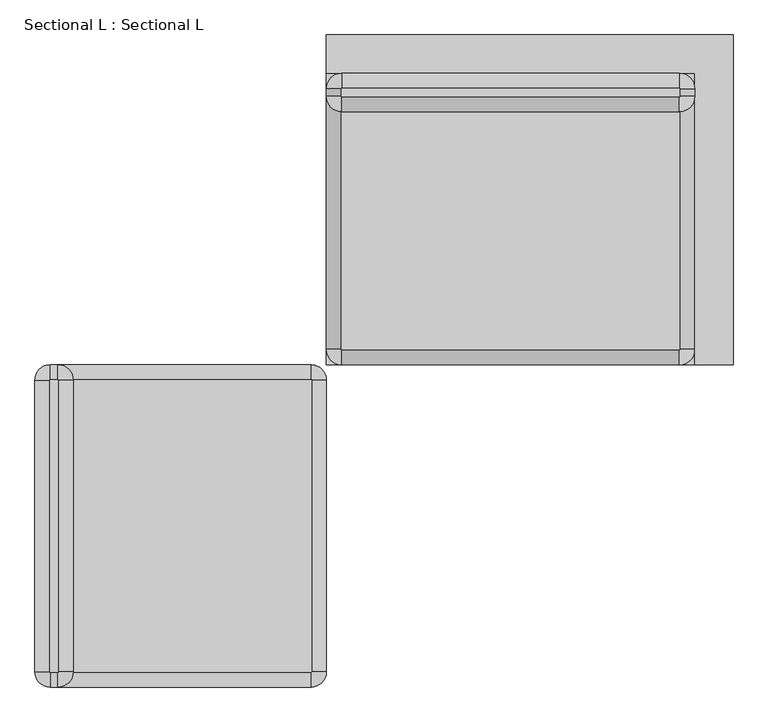
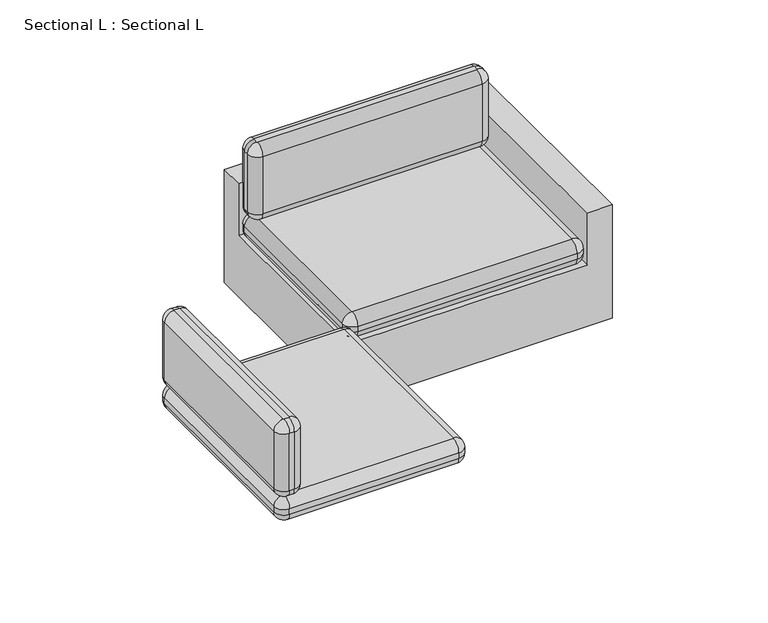
"""IFC4 building model written with IfcOpenShell, lengths in millimetres: furniture geometry, Sectional L : Sectional L."""

from ifc_helpers import new_model, si_unit, point, frame, origin, place, context, project, spatial, circle_curve, ellipse_curve, trimmed, faceted_brep, source, transform, mapped, element, save
from ifc_brep_helpers import plane_surface, cylinder_surface, revolved_surface, advanced_brep


def sectional_l_sectional_l_d9fc3ccb(model_context):
    return source(origin(), model_context, "Body", "SolidModel", [
        advanced_brep(
        [(2262.1875, -203.2, 889.0), (2262.1875, -177.8, 889.0), (2260.6, -176.2125, 889.0), (1143.0, -176.2125, 889.0), (1141.4125, -177.8, 889.0), (1141.4125, -203.2, 889.0), (1143.0, -204.7875, 889.0), (2260.6, -204.7875, 889.0), (2260.6, -204.7875, 482.6), (1143.0, -204.7875, 482.6), (1141.4125, -203.2, 482.6), (1141.4125, -177.8, 482.6), (1143.0, -176.2125, 482.6), (2260.6, -176.2125, 482.6), (2262.1875, -177.8, 482.6), (2262.1875, -203.2, 482.6), (1092.2, -203.2, 531.8125), (1092.2, -203.2, 839.7875), (1092.2, -177.8, 839.7875), (1092.2, -177.8, 531.8125), (1143.0, -127.0, 531.8125), (1143.0, -127.0, 839.7875), (2260.6, -127.0, 839.7875), (2260.6, -127.0, 531.8125), (2311.4, -177.8, 531.8125), (2311.4, -177.8, 839.7875), (2311.4, -203.2, 839.7875), (2311.4, -203.2, 531.8125), (2260.6, -254.0, 531.8125), (2260.6, -254.0, 839.7875), (1143.0, -254.0, 839.7875), (1143.0, -254.0, 531.8125)],
        [
            (0, 1),
            (1, 2, circle_curve(frame((2260.6, -177.8, 889.0), z_axis=(0.0, 0.0, 1.0), x_axis=(0.0, 1.0, 0.0)), 1.5875)),
            (2, 3),
            (3, 4, circle_curve(frame((1143.0, -177.8, 889.0), z_axis=(0.0, 0.0, 1.0), x_axis=(-1.0, 0.0, 0.0)), 1.5875)),
            (4, 5),
            (5, 6, circle_curve(frame((1143.0, -203.2, 889.0), z_axis=(0.0, 0.0, 1.0), x_axis=(0.0, -1.0, 0.0)), 1.5875)),
            (6, 7),
            (7, 0, circle_curve(frame((2260.6, -203.2, 889.0), z_axis=(0.0, 0.0, 1.0), x_axis=(1.0, 0.0, 0.0)), 1.5875)),
            (8, 9),
            (9, 10, circle_curve(frame((1143.0, -203.2, 482.6), z_axis=(0.0, 0.0, -1.0), x_axis=(0.0, -1.0, 0.0)), 1.5875)),
            (10, 11),
            (11, 12, circle_curve(frame((1143.0, -177.8, 482.6), z_axis=(0.0, 0.0, -1.0), x_axis=(-1.0, 0.0, 0.0)), 1.5875)),
            (12, 13),
            (13, 14, circle_curve(frame((2260.6, -177.8, 482.6), z_axis=(0.0, 0.0, -1.0), x_axis=(0.0, 1.0, 0.0)), 1.5875)),
            (14, 15),
            (15, 8, circle_curve(frame((2260.6, -203.2, 482.6), z_axis=(0.0, 0.0, -1.0), x_axis=(1.0, 0.0, 0.0)), 1.5875)),
            (16, 17),
            (17, 18),
            (18, 19),
            (19, 16),
            (20, 21),
            (21, 22),
            (22, 23),
            (23, 20),
            (24, 25),
            (25, 26),
            (26, 27),
            (27, 24),
            (28, 29),
            (29, 30),
            (30, 31),
            (31, 28),
            (30, 17, circle_curve(frame((1143.0, -203.2, 839.7875), z_axis=(0.0, 0.0, -1.0), x_axis=(-1.0, 0.0, 0.0)), 50.8)),
            (16, 31, circle_curve(frame((1143.0, -203.2, 531.8125), z_axis=(0.0, 0.0, 1.0), x_axis=(-1.0, 0.0, 0.0)), 50.8)),
            (18, 21, circle_curve(frame((1143.0, -177.8, 839.7875), z_axis=(0.0, 0.0, -1.0), x_axis=(-1.0, 0.0, 0.0)), 50.8)),
            (20, 19, circle_curve(frame((1143.0, -177.8, 531.8125), z_axis=(0.0, 0.0, 1.0), x_axis=(-1.0, 0.0, 0.0)), 50.8)),
            (22, 25, circle_curve(frame((2260.6, -177.8, 839.7875), z_axis=(0.0, 0.0, -1.0), x_axis=(-1.0, 0.0, 0.0)), 50.8)),
            (24, 23, circle_curve(frame((2260.6, -177.8, 531.8125), z_axis=(0.0, 0.0, 1.0), x_axis=(-1.0, 0.0, 0.0)), 50.8)),
            (26, 29, circle_curve(frame((2260.6, -203.2, 839.7875), z_axis=(0.0, 0.0, -1.0), x_axis=(-1.0, 0.0, 0.0)), 50.8)),
            (28, 27, circle_curve(frame((2260.6, -203.2, 531.8125), z_axis=(0.0, 0.0, 1.0), x_axis=(-1.0, 0.0, 0.0)), 50.8)),
            (15, 27, circle_curve(frame((2262.1875, -203.2, 531.8125), z_axis=(0.0, -1.0, 0.0), x_axis=(-1.0, 0.0, 0.0)), 49.2125)),
            (28, 8, circle_curve(frame((2260.6, -204.7875, 531.8125), z_axis=(1.0, 0.0, 0.0), x_axis=(0.0, 1.0, 0.0)), 49.2125)),
            (31, 9, circle_curve(frame((1143.0, -204.7875, 531.8125), z_axis=(1.0, 0.0, 0.0), x_axis=(0.0, 1.0, 0.0)), 49.2125)),
            (16, 10, circle_curve(frame((1141.4125, -203.2, 531.8125), z_axis=(0.0, -1.0, 0.0), x_axis=(1.0, 0.0, 0.0)), 49.2125)),
            (19, 11, circle_curve(frame((1141.4125, -177.8, 531.8125), z_axis=(0.0, -1.0, 0.0), x_axis=(1.0, 0.0, 0.0)), 49.2125)),
            (20, 12, circle_curve(frame((1143.0, -176.2125, 531.8125), z_axis=(-1.0, 0.0, 0.0), x_axis=(0.0, -1.0, 0.0)), 49.2125)),
            (23, 13, circle_curve(frame((2260.6, -176.2125, 531.8125), z_axis=(-1.0, 0.0, 0.0), x_axis=(0.0, -1.0, 0.0)), 49.2125)),
            (24, 14, circle_curve(frame((2262.1875, -177.8, 531.8125), z_axis=(0.0, 1.0, 0.0), x_axis=(-1.0, 0.0, 0.0)), 49.2125)),
            (26, 0, circle_curve(frame((2262.1875, -203.2, 839.7875), z_axis=(0.0, -1.0, 0.0), x_axis=(-1.0, 0.0, 0.0)), 49.2125)),
            (7, 29, circle_curve(frame((2260.6, -204.7875, 839.7875), z_axis=(1.0, 0.0, 0.0), x_axis=(0.0, 1.0, 0.0)), 49.2125)),
            (6, 30, circle_curve(frame((1143.0, -204.7875, 839.7875), z_axis=(1.0, 0.0, 0.0), x_axis=(0.0, 1.0, 0.0)), 49.2125)),
            (5, 17, circle_curve(frame((1141.4125, -203.2, 839.7875), z_axis=(0.0, -1.0, 0.0), x_axis=(1.0, 0.0, 0.0)), 49.2125)),
            (4, 18, circle_curve(frame((1141.4125, -177.8, 839.7875), z_axis=(0.0, -1.0, 0.0), x_axis=(1.0, 0.0, 0.0)), 49.2125)),
            (3, 21, circle_curve(frame((1143.0, -176.2125, 839.7875), z_axis=(-1.0, 0.0, 0.0), x_axis=(0.0, -1.0, 0.0)), 49.2125)),
            (2, 22, circle_curve(frame((2260.6, -176.2125, 839.7875), z_axis=(-1.0, 0.0, 0.0), x_axis=(0.0, -1.0, 0.0)), 49.2125)),
            (1, 25, circle_curve(frame((2262.1875, -177.8, 839.7875), z_axis=(0.0, 1.0, 0.0), x_axis=(-1.0, 0.0, 0.0)), 49.2125)),
        ],
        [
            plane_surface(frame((1092.2, -203.2, 889.0), z_axis=(0.0, 0.0, 1.0), x_axis=(0.0, 1.0, 0.0))),
            plane_surface(frame((1092.2, -203.2, 482.6), z_axis=(0.0, 0.0, -1.0), x_axis=(0.0, -1.0, 0.0))),
            plane_surface(frame((1092.2, -203.2, 889.0), z_axis=(-1.0, 0.0, 0.0), x_axis=(0.0, 0.0, -1.0))),
            plane_surface(frame((1143.0, -127.0, 889.0), z_axis=(0.0, 1.0, 0.0), x_axis=(0.0, 0.0, -1.0))),
            plane_surface(frame((2311.4, -177.8, 889.0), z_axis=(1.0, 0.0, 0.0), x_axis=(0.0, 0.0, -1.0))),
            plane_surface(frame((2260.6, -254.0, 889.0), z_axis=(0.0, -1.0, 0.0), x_axis=(0.0, 0.0, -1.0))),
            cylinder_surface(frame((1143.0, -203.2, 482.6), z_axis=(0.0, 0.0, 1.0), x_axis=(-1.0, 0.0, 0.0)), 50.8),
            cylinder_surface(frame((1143.0, -177.8, 482.6), z_axis=(0.0, 0.0, 1.0), x_axis=(-1.0, 0.0, 0.0)), 50.8),
            cylinder_surface(frame((2260.6, -177.8, 482.6), z_axis=(0.0, 0.0, 1.0), x_axis=(-1.0, 0.0, 0.0)), 50.8),
            cylinder_surface(frame((2260.6, -203.2, 482.6), z_axis=(0.0, 0.0, 1.0), x_axis=(-1.0, 0.0, 0.0)), 50.8),
            revolved_surface(trimmed(ellipse_curve(frame((2262.1875, -203.2, 531.8125), z_axis=(0.0, -1.0, 0.0), x_axis=(-1.0, 0.0, 0.0)), 49.2125, 49.2125), [point((2262.1875, -203.2, 482.6))], [point((2311.4, -203.2, 531.8125))], True, "CARTESIAN"), (2260.6, -203.2, 482.6), (0.0, 0.0, 1.0)),
            cylinder_surface(frame((2260.6, -204.7875, 531.8125), z_axis=(-1.0, 0.0, 0.0), x_axis=(0.0, 1.0, 0.0)), 49.2125),
            revolved_surface(trimmed(ellipse_curve(frame((1143.0, -204.7875, 531.8125), z_axis=(-1.0, 0.0, 0.0), x_axis=(0.0, 1.0, 0.0)), 49.2125, 49.2125), [point((1143.0, -204.7875, 482.6))], [point((1143.0, -254.0, 531.8125))], True, "CARTESIAN"), (1143.0, -203.2, 482.6), (0.0, 0.0, 1.0)),
            cylinder_surface(frame((1141.4125, -203.2, 531.8125), z_axis=(0.0, 1.0, 0.0), x_axis=(1.0, 0.0, 0.0)), 49.2125),
            revolved_surface(trimmed(ellipse_curve(frame((1141.4125, -177.8, 531.8125), z_axis=(0.0, 1.0, 0.0), x_axis=(1.0, 0.0, 0.0)), 49.2125, 49.2125), [point((1141.4125, -177.8, 482.6))], [point((1092.2, -177.8, 531.8125))], True, "CARTESIAN"), (1143.0, -177.8, 482.6), (0.0, 0.0, 1.0)),
            cylinder_surface(frame((1143.0, -176.2125, 531.8125), z_axis=(1.0, 0.0, 0.0), x_axis=(0.0, -1.0, 0.0)), 49.2125),
            revolved_surface(trimmed(ellipse_curve(frame((2260.6, -176.2125, 531.8125), z_axis=(1.0, 0.0, 0.0), x_axis=(0.0, -1.0, 0.0)), 49.2125, 49.2125), [point((2260.6, -176.2125, 482.6))], [point((2260.6, -127.0, 531.8125))], True, "CARTESIAN"), (2260.6, -177.8, 482.6), (0.0, 0.0, 1.0)),
            cylinder_surface(frame((2262.1875, -177.8, 531.8125), z_axis=(0.0, -1.0, 0.0), x_axis=(-1.0, 0.0, 0.0)), 49.2125),
            revolved_surface(trimmed(ellipse_curve(frame((2262.1875, -203.2, 839.7875), z_axis=(0.0, -1.0, 0.0), x_axis=(-1.0, 0.0, 0.0)), 49.2125, 49.2125), [point((2311.4, -203.2, 839.7875))], [point((2262.1875, -203.2, 889.0))], True, "CARTESIAN"), (2260.6, -203.2, 889.0), (0.0, 0.0, 1.0)),
            cylinder_surface(frame((2260.6, -204.7875, 839.7875), z_axis=(-1.0, 0.0, 0.0), x_axis=(0.0, 1.0, 0.0)), 49.2125),
            revolved_surface(trimmed(ellipse_curve(frame((1143.0, -204.7875, 839.7875), z_axis=(-1.0, 0.0, 0.0), x_axis=(0.0, 1.0, 0.0)), 49.2125, 49.2125), [point((1143.0, -254.0, 839.7875))], [point((1143.0, -204.7875, 889.0))], True, "CARTESIAN"), (1143.0, -203.2, 889.0), (0.0, 0.0, 1.0)),
            cylinder_surface(frame((1141.4125, -203.2, 839.7875), z_axis=(0.0, 1.0, 0.0), x_axis=(1.0, 0.0, 0.0)), 49.2125),
            revolved_surface(trimmed(ellipse_curve(frame((1141.4125, -177.8, 839.7875), z_axis=(0.0, 1.0, 0.0), x_axis=(1.0, 0.0, 0.0)), 49.2125, 49.2125), [point((1092.2, -177.8, 839.7875))], [point((1141.4125, -177.8, 889.0))], True, "CARTESIAN"), (1143.0, -177.8, 889.0), (0.0, 0.0, 1.0)),
            cylinder_surface(frame((1143.0, -176.2125, 839.7875), z_axis=(1.0, 0.0, 0.0), x_axis=(0.0, -1.0, 0.0)), 49.2125),
            revolved_surface(trimmed(ellipse_curve(frame((2260.6, -176.2125, 839.7875), z_axis=(1.0, 0.0, 0.0), x_axis=(0.0, -1.0, 0.0)), 49.2125, 49.2125), [point((2260.6, -127.0, 839.7875))], [point((2260.6, -176.2125, 889.0))], True, "CARTESIAN"), (2260.6, -177.8, 889.0), (0.0, 0.0, 1.0)),
            cylinder_surface(frame((2262.1875, -177.8, 839.7875), z_axis=(0.0, -1.0, 0.0), x_axis=(-1.0, 0.0, 0.0)), 49.2125),
        ],
        [
            (0, [[1, 2, 3, 4, 5, 6, 7, 8]]),
            (1, [[9, 10, 11, 12, 13, 14, 15, 16]]),
            (2, [[17, 18, 19, 20]]),
            (3, [[21, 22, 23, 24]]),
            (4, [[25, 26, 27, 28]]),
            (5, [[29, 30, 31, 32]]),
            (6, [[-31, 33, -17, 34]]),
            (7, [[-19, 35, -21, 36]]),
            (8, [[-23, 37, -25, 38]]),
            (9, [[-27, 39, -29, 40]]),
            (10, [[-16, 41, -40, 42]]),
            (11, [[-32, 43, -9, -42]]),
            (12, [[-34, 44, -10, -43]]),
            (13, [[-20, 45, -11, -44]]),
            (14, [[-36, 46, -12, -45]]),
            (15, [[-24, 47, -13, -46]]),
            (16, [[-38, 48, -14, -47]]),
            (17, [[-15, -48, -28, -41]]),
            (18, [[-39, 49, -8, 50]]),
            (19, [[-7, 51, -30, -50]]),
            (20, [[-6, 52, -33, -51]]),
            (21, [[-5, 53, -18, -52]]),
            (22, [[-4, 54, -35, -53]]),
            (23, [[-3, 55, -22, -54]]),
            (24, [[-2, 56, -37, -55]]),
            (25, [[-26, -56, -1, -49]]),
        ],
    ),
        advanced_brep(
        [(2262.1875, -1041.4, 482.6), (2262.1875, -177.8, 482.6), (2260.6, -176.2125, 482.6), (1143.0, -176.2125, 482.6), (1141.4125, -177.8, 482.6), (1141.4125, -1041.4, 482.6), (1143.0, -1042.9875, 482.6), (2260.6, -1042.9875, 482.6), (2260.6, -1042.9875, 355.6), (1143.0, -1042.9875, 355.6), (1141.4125, -1041.4, 355.6), (1141.4125, -177.8, 355.6), (1143.0, -176.2125, 355.6), (2260.6, -176.2125, 355.6), (2262.1875, -177.8, 355.6), (2262.1875, -1041.4, 355.6), (1092.2, -1041.4, 404.8125), (1092.2, -1041.4, 433.3875), (1092.2, -177.8, 433.3875), (1092.2, -177.8, 404.8125), (1143.0, -127.0, 404.8125), (1143.0, -127.0, 433.3875), (2260.6, -127.0, 433.3875), (2260.6, -127.0, 404.8125), (2311.4, -177.8, 404.8125), (2311.4, -177.8, 433.3875), (2311.4, -1041.4, 433.3875), (2311.4, -1041.4, 404.8125), (2260.6, -1092.2, 404.8125), (2260.6, -1092.2, 433.3875), (1143.0, -1092.2, 433.3875), (1143.0, -1092.2, 404.8125)],
        [
            (0, 1),
            (1, 2, circle_curve(frame((2260.6, -177.8, 482.6), z_axis=(0.0, 0.0, 1.0), x_axis=(0.0, 1.0, 0.0)), 1.5875)),
            (2, 3),
            (3, 4, circle_curve(frame((1143.0, -177.8, 482.6), z_axis=(0.0, 0.0, 1.0), x_axis=(-1.0, 0.0, 0.0)), 1.5875)),
            (4, 5),
            (5, 6, circle_curve(frame((1143.0, -1041.4, 482.6), z_axis=(0.0, 0.0, 1.0), x_axis=(0.0, -1.0, 0.0)), 1.5875)),
            (6, 7),
            (7, 0, circle_curve(frame((2260.6, -1041.4, 482.6), z_axis=(0.0, 0.0, 1.0), x_axis=(1.0, 0.0, 0.0)), 1.5875)),
            (8, 9),
            (9, 10, circle_curve(frame((1143.0, -1041.4, 355.6), z_axis=(0.0, 0.0, -1.0), x_axis=(0.0, -1.0, 0.0)), 1.5875)),
            (10, 11),
            (11, 12, circle_curve(frame((1143.0, -177.8, 355.6), z_axis=(0.0, 0.0, -1.0), x_axis=(-1.0, 0.0, 0.0)), 1.5875)),
            (12, 13),
            (13, 14, circle_curve(frame((2260.6, -177.8, 355.6), z_axis=(0.0, 0.0, -1.0), x_axis=(0.0, 1.0, 0.0)), 1.5875)),
            (14, 15),
            (15, 8, circle_curve(frame((2260.6, -1041.4, 355.6), z_axis=(0.0, 0.0, -1.0), x_axis=(1.0, 0.0, 0.0)), 1.5875)),
            (16, 17),
            (17, 18),
            (18, 19),
            (19, 16),
            (20, 21),
            (21, 22),
            (22, 23),
            (23, 20),
            (24, 25),
            (25, 26),
            (26, 27),
            (27, 24),
            (28, 29),
            (29, 30),
            (30, 31),
            (31, 28),
            (30, 17, circle_curve(frame((1143.0, -1041.4, 433.3875), z_axis=(0.0, 0.0, -1.0), x_axis=(-1.0, 0.0, 0.0)), 50.8)),
            (16, 31, circle_curve(frame((1143.0, -1041.4, 404.8125), z_axis=(0.0, 0.0, 1.0), x_axis=(-1.0, 0.0, 0.0)), 50.8)),
            (18, 21, circle_curve(frame((1143.0, -177.8, 433.3875), z_axis=(0.0, 0.0, -1.0), x_axis=(-1.0, 0.0, 0.0)), 50.8)),
            (20, 19, circle_curve(frame((1143.0, -177.8, 404.8125), z_axis=(0.0, 0.0, 1.0), x_axis=(-1.0, 0.0, 0.0)), 50.8)),
            (22, 25, circle_curve(frame((2260.6, -177.8, 433.3875), z_axis=(0.0, 0.0, -1.0), x_axis=(-1.0, 0.0, 0.0)), 50.8)),
            (24, 23, circle_curve(frame((2260.6, -177.8, 404.8125), z_axis=(0.0, 0.0, 1.0), x_axis=(-1.0, 0.0, 0.0)), 50.8)),
            (26, 29, circle_curve(frame((2260.6, -1041.4, 433.3875), z_axis=(0.0, 0.0, -1.0), x_axis=(-1.0, 0.0, 0.0)), 50.8)),
            (28, 27, circle_curve(frame((2260.6, -1041.4, 404.8125), z_axis=(0.0, 0.0, 1.0), x_axis=(-1.0, 0.0, 0.0)), 50.8)),
            (15, 27, circle_curve(frame((2262.1875, -1041.4, 404.8125), z_axis=(0.0, -1.0, 0.0), x_axis=(-1.0, 0.0, 0.0)), 49.2125)),
            (28, 8, circle_curve(frame((2260.6, -1042.9875, 404.8125), z_axis=(1.0, 0.0, 0.0), x_axis=(0.0, 1.0, 0.0)), 49.2125)),
            (31, 9, circle_curve(frame((1143.0, -1042.9875, 404.8125), z_axis=(1.0, 0.0, 0.0), x_axis=(0.0, 1.0, 0.0)), 49.2125)),
            (16, 10, circle_curve(frame((1141.4125, -1041.4, 404.8125), z_axis=(0.0, -1.0, 0.0), x_axis=(1.0, 0.0, 0.0)), 49.2125)),
            (19, 11, circle_curve(frame((1141.4125, -177.8, 404.8125), z_axis=(0.0, -1.0, 0.0), x_axis=(1.0, 0.0, 0.0)), 49.2125)),
            (20, 12, circle_curve(frame((1143.0, -176.2125, 404.8125), z_axis=(-1.0, 0.0, 0.0), x_axis=(0.0, -1.0, 0.0)), 49.2125)),
            (23, 13, circle_curve(frame((2260.6, -176.2125, 404.8125), z_axis=(-1.0, 0.0, 0.0), x_axis=(0.0, -1.0, 0.0)), 49.2125)),
            (24, 14, circle_curve(frame((2262.1875, -177.8, 404.8125), z_axis=(0.0, 1.0, 0.0), x_axis=(-1.0, 0.0, 0.0)), 49.2125)),
            (26, 0, circle_curve(frame((2262.1875, -1041.4, 433.3875), z_axis=(0.0, -1.0, 0.0), x_axis=(-1.0, 0.0, 0.0)), 49.2125)),
            (7, 29, circle_curve(frame((2260.6, -1042.9875, 433.3875), z_axis=(1.0, 0.0, 0.0), x_axis=(0.0, 1.0, 0.0)), 49.2125)),
            (6, 30, circle_curve(frame((1143.0, -1042.9875, 433.3875), z_axis=(1.0, 0.0, 0.0), x_axis=(0.0, 1.0, 0.0)), 49.2125)),
            (5, 17, circle_curve(frame((1141.4125, -1041.4, 433.3875), z_axis=(0.0, -1.0, 0.0), x_axis=(1.0, 0.0, 0.0)), 49.2125)),
            (4, 18, circle_curve(frame((1141.4125, -177.8, 433.3875), z_axis=(0.0, -1.0, 0.0), x_axis=(1.0, 0.0, 0.0)), 49.2125)),
            (3, 21, circle_curve(frame((1143.0, -176.2125, 433.3875), z_axis=(-1.0, 0.0, 0.0), x_axis=(0.0, -1.0, 0.0)), 49.2125)),
            (2, 22, circle_curve(frame((2260.6, -176.2125, 433.3875), z_axis=(-1.0, 0.0, 0.0), x_axis=(0.0, -1.0, 0.0)), 49.2125)),
            (1, 25, circle_curve(frame((2262.1875, -177.8, 433.3875), z_axis=(0.0, 1.0, 0.0), x_axis=(-1.0, 0.0, 0.0)), 49.2125)),
        ],
        [
            plane_surface(frame((1092.2, -1041.4, 482.6), z_axis=(0.0, 0.0, 1.0), x_axis=(0.0, 1.0, 0.0))),
            plane_surface(frame((1092.2, -1041.4, 355.6), z_axis=(0.0, 0.0, -1.0), x_axis=(0.0, -1.0, 0.0))),
            plane_surface(frame((1092.2, -1041.4, 482.6), z_axis=(-1.0, 0.0, 0.0), x_axis=(0.0, 0.0, -1.0))),
            plane_surface(frame((1143.0, -127.0, 482.6), z_axis=(0.0, 1.0, 0.0), x_axis=(0.0, 0.0, -1.0))),
            plane_surface(frame((2311.4, -177.8, 482.6), z_axis=(1.0, 0.0, 0.0), x_axis=(0.0, 0.0, -1.0))),
            plane_surface(frame((2260.6, -1092.2, 482.6), z_axis=(0.0, -1.0, 0.0), x_axis=(0.0, 0.0, -1.0))),
            cylinder_surface(frame((1143.0, -1041.4, 355.6), z_axis=(0.0, 0.0, 1.0), x_axis=(-1.0, 0.0, 0.0)), 50.8),
            cylinder_surface(frame((1143.0, -177.8, 355.6), z_axis=(0.0, 0.0, 1.0), x_axis=(-1.0, 0.0, 0.0)), 50.8),
            cylinder_surface(frame((2260.6, -177.8, 355.6), z_axis=(0.0, 0.0, 1.0), x_axis=(-1.0, 0.0, 0.0)), 50.8),
            cylinder_surface(frame((2260.6, -1041.4, 355.6), z_axis=(0.0, 0.0, 1.0), x_axis=(-1.0, 0.0, 0.0)), 50.8),
            revolved_surface(trimmed(ellipse_curve(frame((2262.1875, -1041.4, 404.8125), z_axis=(0.0, -1.0, 0.0), x_axis=(-1.0, 0.0, 0.0)), 49.2125, 49.2125), [point((2262.1875, -1041.4, 355.6))], [point((2311.4, -1041.4, 404.8125))], True, "CARTESIAN"), (2260.6, -1041.4, 355.6), (0.0, 0.0, 1.0)),
            cylinder_surface(frame((2260.6, -1042.9875, 404.8125), z_axis=(-1.0, 0.0, 0.0), x_axis=(0.0, 1.0, 0.0)), 49.2125),
            revolved_surface(trimmed(ellipse_curve(frame((1143.0, -1042.9875, 404.8125), z_axis=(-1.0, 0.0, 0.0), x_axis=(0.0, 1.0, 0.0)), 49.2125, 49.2125), [point((1143.0, -1042.9875, 355.6))], [point((1143.0, -1092.2, 404.8125))], True, "CARTESIAN"), (1143.0, -1041.4, 355.6), (0.0, 0.0, 1.0)),
            cylinder_surface(frame((1141.4125, -1041.4, 404.8125), z_axis=(0.0, 1.0, 0.0), x_axis=(1.0, 0.0, 0.0)), 49.2125),
            revolved_surface(trimmed(ellipse_curve(frame((1141.4125, -177.8, 404.8125), z_axis=(0.0, 1.0, 0.0), x_axis=(1.0, 0.0, 0.0)), 49.2125, 49.2125), [point((1141.4125, -177.8, 355.6))], [point((1092.2, -177.8, 404.8125))], True, "CARTESIAN"), (1143.0, -177.8, 355.6), (0.0, 0.0, 1.0)),
            cylinder_surface(frame((1143.0, -176.2125, 404.8125), z_axis=(1.0, 0.0, 0.0), x_axis=(0.0, -1.0, 0.0)), 49.2125),
            revolved_surface(trimmed(ellipse_curve(frame((2260.6, -176.2125, 404.8125), z_axis=(1.0, 0.0, 0.0), x_axis=(0.0, -1.0, 0.0)), 49.2125, 49.2125), [point((2260.6, -176.2125, 355.6))], [point((2260.6, -127.0, 404.8125))], True, "CARTESIAN"), (2260.6, -177.8, 355.6), (0.0, 0.0, 1.0)),
            cylinder_surface(frame((2262.1875, -177.8, 404.8125), z_axis=(0.0, -1.0, 0.0), x_axis=(-1.0, 0.0, 0.0)), 49.2125),
            revolved_surface(trimmed(ellipse_curve(frame((2262.1875, -1041.4, 433.3875), z_axis=(0.0, -1.0, 0.0), x_axis=(-1.0, 0.0, 0.0)), 49.2125, 49.2125), [point((2311.4, -1041.4, 433.3875))], [point((2262.1875, -1041.4, 482.6))], True, "CARTESIAN"), (2260.6, -1041.4, 482.6), (0.0, 0.0, 1.0)),
            cylinder_surface(frame((2260.6, -1042.9875, 433.3875), z_axis=(-1.0, 0.0, 0.0), x_axis=(0.0, 1.0, 0.0)), 49.2125),
            revolved_surface(trimmed(ellipse_curve(frame((1143.0, -1042.9875, 433.3875), z_axis=(-1.0, 0.0, 0.0), x_axis=(0.0, 1.0, 0.0)), 49.2125, 49.2125), [point((1143.0, -1092.2, 433.3875))], [point((1143.0, -1042.9875, 482.6))], True, "CARTESIAN"), (1143.0, -1041.4, 482.6), (0.0, 0.0, 1.0)),
            cylinder_surface(frame((1141.4125, -1041.4, 433.3875), z_axis=(0.0, 1.0, 0.0), x_axis=(1.0, 0.0, 0.0)), 49.2125),
            revolved_surface(trimmed(ellipse_curve(frame((1141.4125, -177.8, 433.3875), z_axis=(0.0, 1.0, 0.0), x_axis=(1.0, 0.0, 0.0)), 49.2125, 49.2125), [point((1092.2, -177.8, 433.3875))], [point((1141.4125, -177.8, 482.6))], True, "CARTESIAN"), (1143.0, -177.8, 482.6), (0.0, 0.0, 1.0)),
            cylinder_surface(frame((1143.0, -176.2125, 433.3875), z_axis=(1.0, 0.0, 0.0), x_axis=(0.0, -1.0, 0.0)), 49.2125),
            revolved_surface(trimmed(ellipse_curve(frame((2260.6, -176.2125, 433.3875), z_axis=(1.0, 0.0, 0.0), x_axis=(0.0, -1.0, 0.0)), 49.2125, 49.2125), [point((2260.6, -127.0, 433.3875))], [point((2260.6, -176.2125, 482.6))], True, "CARTESIAN"), (2260.6, -177.8, 482.6), (0.0, 0.0, 1.0)),
            cylinder_surface(frame((2262.1875, -177.8, 433.3875), z_axis=(0.0, -1.0, 0.0), x_axis=(-1.0, 0.0, 0.0)), 49.2125),
        ],
        [
            (0, [[1, 2, 3, 4, 5, 6, 7, 8]]),
            (1, [[9, 10, 11, 12, 13, 14, 15, 16]]),
            (2, [[17, 18, 19, 20]]),
            (3, [[21, 22, 23, 24]]),
            (4, [[25, 26, 27, 28]]),
            (5, [[29, 30, 31, 32]]),
            (6, [[-31, 33, -17, 34]]),
            (7, [[-19, 35, -21, 36]]),
            (8, [[-23, 37, -25, 38]]),
            (9, [[-27, 39, -29, 40]]),
            (10, [[-16, 41, -40, 42]]),
            (11, [[-32, 43, -9, -42]]),
            (12, [[-34, 44, -10, -43]]),
            (13, [[-20, 45, -11, -44]]),
            (14, [[-36, 46, -12, -45]]),
            (15, [[-24, 47, -13, -46]]),
            (16, [[-38, 48, -14, -47]]),
            (17, [[-15, -48, -28, -41]]),
            (18, [[-39, 49, -8, 50]]),
            (19, [[-7, 51, -30, -50]]),
            (20, [[-6, 52, -33, -51]]),
            (21, [[-5, 53, -18, -52]]),
            (22, [[-4, 54, -35, -53]]),
            (23, [[-3, 55, -22, -54]]),
            (24, [[-2, 56, -37, -55]]),
            (25, [[-26, -56, -1, -49]]),
        ],
    ),
        faceted_brep([(1092.2, -127.0, 635.0), (2311.4, -127.0, 635.0), (2311.4, -1092.2, 635.0), (2438.4, -1092.2, 635.0), (2438.4, 0.0, 635.0), (1092.2, 0.0, 635.0), (2438.4, -1092.2, 25.4), (1092.2, -1092.2, 25.4), (1092.2, 0.0, 25.4), (2438.4, 0.0, 25.4), (1092.2, -1092.2, 355.6), (1092.2, -127.0, 355.6), (2311.4, -127.0, 355.6), (2311.4, -1092.2, 355.6)], [[[0, 1, 2, 3, 4, 5]], [[6, 7, 8, 9]], [[5, 8, 7, 10, 11, 0]], [[5, 4, 9, 8]], [[0, 11, 12, 1]], [[1, 12, 13, 2]], [[3, 6, 9, 4]], [[2, 13, 10, 7, 6, 3]], [[10, 13, 12, 11]]]),
        advanced_brep(
        [(203.2, -2109.617016, 889.0), (204.7875, -2108.029516, 889.0), (204.7875, -1143.0, 889.0), (203.2, -1141.4125, 889.0), (177.8, -1141.4125, 889.0), (176.2125, -1143.0, 889.0), (176.2125, -2108.029516, 889.0), (177.8, -2109.617016, 889.0), (204.7875, -2108.029516, 482.6), (203.2, -2109.617016, 482.6), (177.8, -2109.617016, 482.6), (176.2125, -2108.029516, 482.6), (176.2125, -1143.0, 482.6), (177.8, -1141.4125, 482.6), (203.2, -1141.4125, 482.6), (204.7875, -1143.0, 482.6), (203.2, -1092.2, 531.8125), (177.8, -1092.2, 531.8125), (177.8, -1092.2, 839.7875), (203.2, -1092.2, 839.7875), (127.0, -1143.0, 531.8125), (127.0, -2108.029516, 531.8125), (127.0, -2108.029516, 839.7875), (127.0, -1143.0, 839.7875), (177.8, -2158.829516, 531.8125), (203.2, -2158.829516, 531.8125), (203.2, -2158.829516, 839.7875), (177.8, -2158.829516, 839.7875), (254.0, -2108.029516, 531.8125), (254.0, -1143.0, 531.8125), (254.0, -1143.0, 839.7875), (254.0, -2108.029516, 839.7875)],
        [
            (0, 1, circle_curve(frame((203.2, -2108.029516, 889.0), z_axis=(0.0, 0.0, 1.0), x_axis=(0.0, -1.0, 0.0)), 1.5875)),
            (1, 2),
            (2, 3, circle_curve(frame((203.2, -1143.0, 889.0), z_axis=(0.0, 0.0, 1.0), x_axis=(1.0, 0.0, 0.0)), 1.5875)),
            (3, 4),
            (4, 5, circle_curve(frame((177.8, -1143.0, 889.0), z_axis=(0.0, 0.0, 1.0), x_axis=(0.0, 1.0, 0.0)), 1.5875)),
            (5, 6),
            (6, 7, circle_curve(frame((177.8, -2108.029516, 889.0), z_axis=(0.0, 0.0, 1.0), x_axis=(-1.0, 0.0, 0.0)), 1.5875)),
            (7, 0),
            (8, 9, circle_curve(frame((203.2, -2108.029516, 482.6), z_axis=(0.0, 0.0, -1.0), x_axis=(0.0, -1.0, 0.0)), 1.5875)),
            (9, 10),
            (10, 11, circle_curve(frame((177.8, -2108.029516, 482.6), z_axis=(0.0, 0.0, -1.0), x_axis=(-1.0, 0.0, 0.0)), 1.5875)),
            (11, 12),
            (12, 13, circle_curve(frame((177.8, -1143.0, 482.6), z_axis=(0.0, 0.0, -1.0), x_axis=(0.0, 1.0, 0.0)), 1.5875)),
            (13, 14),
            (14, 15, circle_curve(frame((203.2, -1143.0, 482.6), z_axis=(0.0, 0.0, -1.0), x_axis=(1.0, 0.0, 0.0)), 1.5875)),
            (15, 8),
            (16, 17),
            (17, 18),
            (18, 19),
            (19, 16),
            (20, 21),
            (21, 22),
            (22, 23),
            (23, 20),
            (24, 25),
            (25, 26),
            (26, 27),
            (27, 24),
            (28, 29),
            (29, 30),
            (30, 31),
            (31, 28),
            (29, 16, circle_curve(frame((203.2, -1143.0, 531.8125), z_axis=(0.0, 0.0, 1.0), x_axis=(0.0, 1.0, 0.0)), 50.8)),
            (19, 30, circle_curve(frame((203.2, -1143.0, 839.7875), z_axis=(0.0, 0.0, -1.0), x_axis=(0.0, 1.0, 0.0)), 50.8)),
            (17, 20, circle_curve(frame((177.8, -1143.0, 531.8125), z_axis=(0.0, 0.0, 1.0), x_axis=(0.0, 1.0, 0.0)), 50.8)),
            (23, 18, circle_curve(frame((177.8, -1143.0, 839.7875), z_axis=(0.0, 0.0, -1.0), x_axis=(0.0, 1.0, 0.0)), 50.8)),
            (21, 24, circle_curve(frame((177.8, -2108.029516, 531.8125), z_axis=(0.0, 0.0, 1.0), x_axis=(0.0, 1.0, 0.0)), 50.8)),
            (27, 22, circle_curve(frame((177.8, -2108.029516, 839.7875), z_axis=(0.0, 0.0, -1.0), x_axis=(0.0, 1.0, 0.0)), 50.8)),
            (25, 28, circle_curve(frame((203.2, -2108.029516, 531.8125), z_axis=(0.0, 0.0, 1.0), x_axis=(0.0, 1.0, 0.0)), 50.8)),
            (31, 26, circle_curve(frame((203.2, -2108.029516, 839.7875), z_axis=(0.0, 0.0, -1.0), x_axis=(0.0, 1.0, 0.0)), 50.8)),
            (8, 28, circle_curve(frame((204.7875, -2108.029516, 531.8125), z_axis=(0.0, -1.0, 0.0), x_axis=(-1.0, 0.0, 0.0)), 49.2125)),
            (25, 9, circle_curve(frame((203.2, -2109.617016, 531.8125), z_axis=(1.0, 0.0, 0.0), x_axis=(0.0, 1.0, 0.0)), 49.2125)),
            (15, 29, circle_curve(frame((204.7875, -1143.0, 531.8125), z_axis=(0.0, -1.0, 0.0), x_axis=(-1.0, 0.0, 0.0)), 49.2125)),
            (14, 16, circle_curve(frame((203.2, -1141.4125, 531.8125), z_axis=(1.0, 0.0, 0.0), x_axis=(0.0, -1.0, 0.0)), 49.2125)),
            (13, 17, circle_curve(frame((177.8, -1141.4125, 531.8125), z_axis=(1.0, 0.0, 0.0), x_axis=(0.0, -1.0, 0.0)), 49.2125)),
            (12, 20, circle_curve(frame((176.2125, -1143.0, 531.8125), z_axis=(0.0, 1.0, 0.0), x_axis=(1.0, 0.0, 0.0)), 49.2125)),
            (11, 21, circle_curve(frame((176.2125, -2108.029516, 531.8125), z_axis=(0.0, 1.0, 0.0), x_axis=(1.0, 0.0, 0.0)), 49.2125)),
            (10, 24, circle_curve(frame((177.8, -2109.617016, 531.8125), z_axis=(-1.0, 0.0, 0.0), x_axis=(0.0, 1.0, 0.0)), 49.2125)),
            (31, 1, circle_curve(frame((204.7875, -2108.029516, 839.7875), z_axis=(0.0, -1.0, 0.0), x_axis=(-1.0, 0.0, 0.0)), 49.2125)),
            (0, 26, circle_curve(frame((203.2, -2109.617016, 839.7875), z_axis=(1.0, 0.0, 0.0), x_axis=(0.0, 1.0, 0.0)), 49.2125)),
            (30, 2, circle_curve(frame((204.7875, -1143.0, 839.7875), z_axis=(0.0, -1.0, 0.0), x_axis=(-1.0, 0.0, 0.0)), 49.2125)),
            (19, 3, circle_curve(frame((203.2, -1141.4125, 839.7875), z_axis=(1.0, 0.0, 0.0), x_axis=(0.0, -1.0, 0.0)), 49.2125)),
            (18, 4, circle_curve(frame((177.8, -1141.4125, 839.7875), z_axis=(1.0, 0.0, 0.0), x_axis=(0.0, -1.0, 0.0)), 49.2125)),
            (23, 5, circle_curve(frame((176.2125, -1143.0, 839.7875), z_axis=(0.0, 1.0, 0.0), x_axis=(1.0, 0.0, 0.0)), 49.2125)),
            (22, 6, circle_curve(frame((176.2125, -2108.029516, 839.7875), z_axis=(0.0, 1.0, 0.0), x_axis=(1.0, 0.0, 0.0)), 49.2125)),
            (27, 7, circle_curve(frame((177.8, -2109.617016, 839.7875), z_axis=(-1.0, 0.0, 0.0), x_axis=(0.0, 1.0, 0.0)), 49.2125)),
        ],
        [
            plane_surface(frame((203.2, -1092.2, 889.0), z_axis=(0.0, 0.0, 1.0), x_axis=(-1.0, 0.0, 0.0))),
            plane_surface(frame((203.2, -1092.2, 482.6), z_axis=(0.0, 0.0, -1.0), x_axis=(1.0, 0.0, 0.0))),
            plane_surface(frame((203.2, -1092.2, 889.0), z_axis=(0.0, 1.0, 0.0), x_axis=(0.0, 0.0, -1.0))),
            plane_surface(frame((127.0, -1143.0, 889.0), z_axis=(-1.0, 0.0, 0.0), x_axis=(0.0, 0.0, -1.0))),
            plane_surface(frame((177.8, -2158.829516, 889.0), z_axis=(0.0, -1.0, 0.0), x_axis=(0.0, 0.0, -1.0))),
            plane_surface(frame((254.0, -2108.029516, 889.0), z_axis=(1.0, 0.0, 0.0), x_axis=(0.0, 0.0, -1.0))),
            cylinder_surface(frame((203.2, -1143.0, 482.6), z_axis=(0.0, 0.0, 1.0), x_axis=(0.0, 1.0, 0.0)), 50.8),
            cylinder_surface(frame((177.8, -1143.0, 482.6), z_axis=(0.0, 0.0, 1.0), x_axis=(0.0, 1.0, 0.0)), 50.8),
            cylinder_surface(frame((177.8, -2108.029516, 482.6), z_axis=(0.0, 0.0, 1.0), x_axis=(0.0, 1.0, 0.0)), 50.8),
            cylinder_surface(frame((203.2, -2108.029516, 482.6), z_axis=(0.0, 0.0, 1.0), x_axis=(0.0, 1.0, 0.0)), 50.8),
            revolved_surface(trimmed(ellipse_curve(frame((203.2, -2109.617016, 531.8125), z_axis=(-1.0, 0.0, 0.0), x_axis=(0.0, 1.0, 0.0)), 49.2125, 49.2125), [point((203.2, -2109.617016, 482.6))], [point((203.2, -2158.829516, 531.8125))], True, "CARTESIAN"), (203.2, -2108.029516, 482.6), (0.0, 0.0, 1.0)),
            cylinder_surface(frame((204.7875, -2108.029516, 531.8125), z_axis=(0.0, 1.0, 0.0), x_axis=(-1.0, 0.0, 0.0)), 49.2125),
            revolved_surface(trimmed(ellipse_curve(frame((204.7875, -1143.0, 531.8125), z_axis=(0.0, -1.0, 0.0), x_axis=(-1.0, 0.0, 0.0)), 49.2125, 49.2125), [point((204.7875, -1143.0, 482.6))], [point((254.0, -1143.0, 531.8125))], True, "CARTESIAN"), (203.2, -1143.0, 482.6), (0.0, 0.0, 1.0)),
            cylinder_surface(frame((203.2, -1141.4125, 531.8125), z_axis=(-1.0, 0.0, 0.0), x_axis=(0.0, -1.0, 0.0)), 49.2125),
            revolved_surface(trimmed(ellipse_curve(frame((177.8, -1141.4125, 531.8125), z_axis=(1.0, 0.0, 0.0), x_axis=(0.0, -1.0, 0.0)), 49.2125, 49.2125), [point((177.8, -1141.4125, 482.6))], [point((177.8, -1092.2, 531.8125))], True, "CARTESIAN"), (177.8, -1143.0, 482.6), (0.0, 0.0, 1.0)),
            cylinder_surface(frame((176.2125, -1143.0, 531.8125), z_axis=(0.0, -1.0, 0.0), x_axis=(1.0, 0.0, 0.0)), 49.2125),
            revolved_surface(trimmed(ellipse_curve(frame((176.2125, -2108.029516, 531.8125), z_axis=(0.0, 1.0, 0.0), x_axis=(1.0, 0.0, 0.0)), 49.2125, 49.2125), [point((176.2125, -2108.029516, 482.6))], [point((127.0, -2108.029516, 531.8125))], True, "CARTESIAN"), (177.8, -2108.029516, 482.6), (0.0, 0.0, 1.0)),
            cylinder_surface(frame((177.8, -2109.617016, 531.8125), z_axis=(1.0, 0.0, 0.0), x_axis=(0.0, 1.0, 0.0)), 49.2125),
            revolved_surface(trimmed(ellipse_curve(frame((203.2, -2109.617016, 839.7875), z_axis=(-1.0, 0.0, 0.0), x_axis=(0.0, 1.0, 0.0)), 49.2125, 49.2125), [point((203.2, -2158.829516, 839.7875))], [point((203.2, -2109.617016, 889.0))], True, "CARTESIAN"), (203.2, -2108.029516, 889.0), (0.0, 0.0, 1.0)),
            cylinder_surface(frame((204.7875, -2108.029516, 839.7875), z_axis=(0.0, 1.0, 0.0), x_axis=(-1.0, 0.0, 0.0)), 49.2125),
            revolved_surface(trimmed(ellipse_curve(frame((204.7875, -1143.0, 839.7875), z_axis=(0.0, -1.0, 0.0), x_axis=(-1.0, 0.0, 0.0)), 49.2125, 49.2125), [point((254.0, -1143.0, 839.7875))], [point((204.7875, -1143.0, 889.0))], True, "CARTESIAN"), (203.2, -1143.0, 889.0), (0.0, 0.0, 1.0)),
            cylinder_surface(frame((203.2, -1141.4125, 839.7875), z_axis=(-1.0, 0.0, 0.0), x_axis=(0.0, -1.0, 0.0)), 49.2125),
            revolved_surface(trimmed(ellipse_curve(frame((177.8, -1141.4125, 839.7875), z_axis=(1.0, 0.0, 0.0), x_axis=(0.0, -1.0, 0.0)), 49.2125, 49.2125), [point((177.8, -1092.2, 839.7875))], [point((177.8, -1141.4125, 889.0))], True, "CARTESIAN"), (177.8, -1143.0, 889.0), (0.0, 0.0, 1.0)),
            cylinder_surface(frame((176.2125, -1143.0, 839.7875), z_axis=(0.0, -1.0, 0.0), x_axis=(1.0, 0.0, 0.0)), 49.2125),
            revolved_surface(trimmed(ellipse_curve(frame((176.2125, -2108.029516, 839.7875), z_axis=(0.0, 1.0, 0.0), x_axis=(1.0, 0.0, 0.0)), 49.2125, 49.2125), [point((127.0, -2108.029516, 839.7875))], [point((176.2125, -2108.029516, 889.0))], True, "CARTESIAN"), (177.8, -2108.029516, 889.0), (0.0, 0.0, 1.0)),
            cylinder_surface(frame((177.8, -2109.617016, 839.7875), z_axis=(1.0, 0.0, 0.0), x_axis=(0.0, 1.0, 0.0)), 49.2125),
        ],
        [
            (0, [[1, 2, 3, 4, 5, 6, 7, 8]]),
            (1, [[9, 10, 11, 12, 13, 14, 15, 16]]),
            (2, [[17, 18, 19, 20]]),
            (3, [[21, 22, 23, 24]]),
            (4, [[25, 26, 27, 28]]),
            (5, [[29, 30, 31, 32]]),
            (6, [[33, -20, 34, -30]]),
            (7, [[35, -24, 36, -18]]),
            (8, [[37, -28, 38, -22]]),
            (9, [[39, -32, 40, -26]]),
            (10, [[41, -39, 42, -9]]),
            (11, [[-41, -16, 43, -29]]),
            (12, [[-43, -15, 44, -33]]),
            (13, [[-44, -14, 45, -17]]),
            (14, [[-45, -13, 46, -35]]),
            (15, [[-46, -12, 47, -21]]),
            (16, [[-47, -11, 48, -37]]),
            (17, [[-42, -25, -48, -10]]),
            (18, [[49, -1, 50, -40]]),
            (19, [[-49, -31, 51, -2]]),
            (20, [[-51, -34, 52, -3]]),
            (21, [[-52, -19, 53, -4]]),
            (22, [[-53, -36, 54, -5]]),
            (23, [[-54, -23, 55, -6]]),
            (24, [[-55, -38, 56, -7]]),
            (25, [[-50, -8, -56, -27]]),
        ],
    ),
        advanced_brep(
        [(1041.4, -2109.617016, 482.6), (1042.9875, -2108.029516, 482.6), (1042.9875, -1143.0, 482.6), (1041.4, -1141.4125, 482.6), (177.8, -1141.4125, 482.6), (176.2125, -1143.0, 482.6), (176.2125, -2108.029516, 482.6), (177.8, -2109.617016, 482.6), (1042.9875, -2108.029516, 355.6), (1041.4, -2109.617016, 355.6), (177.8, -2109.617016, 355.6), (176.2125, -2108.029516, 355.6), (176.2125, -1143.0, 355.6), (177.8, -1141.4125, 355.6), (1041.4, -1141.4125, 355.6), (1042.9875, -1143.0, 355.6), (1041.4, -1092.2, 404.8125), (177.8, -1092.2, 404.8125), (177.8, -1092.2, 433.3875), (1041.4, -1092.2, 433.3875), (127.0, -1143.0, 404.8125), (127.0, -2108.029516, 404.8125), (127.0, -2108.029516, 433.3875), (127.0, -1143.0, 433.3875), (177.8, -2158.829516, 404.8125), (1041.4, -2158.829516, 404.8125), (1041.4, -2158.829516, 433.3875), (177.8, -2158.829516, 433.3875), (1092.2, -2108.029516, 404.8125), (1092.2, -1143.0, 404.8125), (1092.2, -1143.0, 433.3875), (1092.2, -2108.029516, 433.3875)],
        [
            (0, 1, circle_curve(frame((1041.4, -2108.029516, 482.6), z_axis=(0.0, 0.0, 1.0), x_axis=(0.0, -1.0, 0.0)), 1.5875)),
            (1, 2),
            (2, 3, circle_curve(frame((1041.4, -1143.0, 482.6), z_axis=(0.0, 0.0, 1.0), x_axis=(1.0, 0.0, 0.0)), 1.5875)),
            (3, 4),
            (4, 5, circle_curve(frame((177.8, -1143.0, 482.6), z_axis=(0.0, 0.0, 1.0), x_axis=(0.0, 1.0, 0.0)), 1.5875)),
            (5, 6),
            (6, 7, circle_curve(frame((177.8, -2108.029516, 482.6), z_axis=(0.0, 0.0, 1.0), x_axis=(-1.0, 0.0, 0.0)), 1.5875)),
            (7, 0),
            (8, 9, circle_curve(frame((1041.4, -2108.029516, 355.6), z_axis=(0.0, 0.0, -1.0), x_axis=(0.0, -1.0, 0.0)), 1.5875)),
            (9, 10),
            (10, 11, circle_curve(frame((177.8, -2108.029516, 355.6), z_axis=(0.0, 0.0, -1.0), x_axis=(-1.0, 0.0, 0.0)), 1.5875)),
            (11, 12),
            (12, 13, circle_curve(frame((177.8, -1143.0, 355.6), z_axis=(0.0, 0.0, -1.0), x_axis=(0.0, 1.0, 0.0)), 1.5875)),
            (13, 14),
            (14, 15, circle_curve(frame((1041.4, -1143.0, 355.6), z_axis=(0.0, 0.0, -1.0), x_axis=(1.0, 0.0, 0.0)), 1.5875)),
            (15, 8),
            (16, 17),
            (17, 18),
            (18, 19),
            (19, 16),
            (20, 21),
            (21, 22),
            (22, 23),
            (23, 20),
            (24, 25),
            (25, 26),
            (26, 27),
            (27, 24),
            (28, 29),
            (29, 30),
            (30, 31),
            (31, 28),
            (29, 16, circle_curve(frame((1041.4, -1143.0, 404.8125), z_axis=(0.0, 0.0, 1.0), x_axis=(0.0, 1.0, 0.0)), 50.8)),
            (19, 30, circle_curve(frame((1041.4, -1143.0, 433.3875), z_axis=(0.0, 0.0, -1.0), x_axis=(0.0, 1.0, 0.0)), 50.8)),
            (17, 20, circle_curve(frame((177.8, -1143.0, 404.8125), z_axis=(0.0, 0.0, 1.0), x_axis=(0.0, 1.0, 0.0)), 50.8)),
            (23, 18, circle_curve(frame((177.8, -1143.0, 433.3875), z_axis=(0.0, 0.0, -1.0), x_axis=(0.0, 1.0, 0.0)), 50.8)),
            (21, 24, circle_curve(frame((177.8, -2108.029516, 404.8125), z_axis=(0.0, 0.0, 1.0), x_axis=(0.0, 1.0, 0.0)), 50.8)),
            (27, 22, circle_curve(frame((177.8, -2108.029516, 433.3875), z_axis=(0.0, 0.0, -1.0), x_axis=(0.0, 1.0, 0.0)), 50.8)),
            (25, 28, circle_curve(frame((1041.4, -2108.029516, 404.8125), z_axis=(0.0, 0.0, 1.0), x_axis=(0.0, 1.0, 0.0)), 50.8)),
            (31, 26, circle_curve(frame((1041.4, -2108.029516, 433.3875), z_axis=(0.0, 0.0, -1.0), x_axis=(0.0, 1.0, 0.0)), 50.8)),
            (8, 28, circle_curve(frame((1042.9875, -2108.029516, 404.8125), z_axis=(0.0, -1.0, 0.0), x_axis=(-1.0, 0.0, 0.0)), 49.2125)),
            (25, 9, circle_curve(frame((1041.4, -2109.617016, 404.8125), z_axis=(1.0, 0.0, 0.0), x_axis=(0.0, 1.0, 0.0)), 49.2125)),
            (15, 29, circle_curve(frame((1042.9875, -1143.0, 404.8125), z_axis=(0.0, -1.0, 0.0), x_axis=(-1.0, 0.0, 0.0)), 49.2125)),
            (14, 16, circle_curve(frame((1041.4, -1141.4125, 404.8125), z_axis=(1.0, 0.0, 0.0), x_axis=(0.0, -1.0, 0.0)), 49.2125)),
            (13, 17, circle_curve(frame((177.8, -1141.4125, 404.8125), z_axis=(1.0, 0.0, 0.0), x_axis=(0.0, -1.0, 0.0)), 49.2125)),
            (12, 20, circle_curve(frame((176.2125, -1143.0, 404.8125), z_axis=(0.0, 1.0, 0.0), x_axis=(1.0, 0.0, 0.0)), 49.2125)),
            (11, 21, circle_curve(frame((176.2125, -2108.029516, 404.8125), z_axis=(0.0, 1.0, 0.0), x_axis=(1.0, 0.0, 0.0)), 49.2125)),
            (10, 24, circle_curve(frame((177.8, -2109.617016, 404.8125), z_axis=(-1.0, 0.0, 0.0), x_axis=(0.0, 1.0, 0.0)), 49.2125)),
            (31, 1, circle_curve(frame((1042.9875, -2108.029516, 433.3875), z_axis=(0.0, -1.0, 0.0), x_axis=(-1.0, 0.0, 0.0)), 49.2125)),
            (0, 26, circle_curve(frame((1041.4, -2109.617016, 433.3875), z_axis=(1.0, 0.0, 0.0), x_axis=(0.0, 1.0, 0.0)), 49.2125)),
            (30, 2, circle_curve(frame((1042.9875, -1143.0, 433.3875), z_axis=(0.0, -1.0, 0.0), x_axis=(-1.0, 0.0, 0.0)), 49.2125)),
            (19, 3, circle_curve(frame((1041.4, -1141.4125, 433.3875), z_axis=(1.0, 0.0, 0.0), x_axis=(0.0, -1.0, 0.0)), 49.2125)),
            (18, 4, circle_curve(frame((177.8, -1141.4125, 433.3875), z_axis=(1.0, 0.0, 0.0), x_axis=(0.0, -1.0, 0.0)), 49.2125)),
            (23, 5, circle_curve(frame((176.2125, -1143.0, 433.3875), z_axis=(0.0, 1.0, 0.0), x_axis=(1.0, 0.0, 0.0)), 49.2125)),
            (22, 6, circle_curve(frame((176.2125, -2108.029516, 433.3875), z_axis=(0.0, 1.0, 0.0), x_axis=(1.0, 0.0, 0.0)), 49.2125)),
            (27, 7, circle_curve(frame((177.8, -2109.617016, 433.3875), z_axis=(-1.0, 0.0, 0.0), x_axis=(0.0, 1.0, 0.0)), 49.2125)),
        ],
        [
            plane_surface(frame((1041.4, -1092.2, 482.6), z_axis=(0.0, 0.0, 1.0), x_axis=(-1.0, 0.0, 0.0))),
            plane_surface(frame((1041.4, -1092.2, 355.6), z_axis=(0.0, 0.0, -1.0), x_axis=(1.0, 0.0, 0.0))),
            plane_surface(frame((1041.4, -1092.2, 482.6), z_axis=(0.0, 1.0, 0.0), x_axis=(0.0, 0.0, -1.0))),
            plane_surface(frame((127.0, -1143.0, 482.6), z_axis=(-1.0, 0.0, 0.0), x_axis=(0.0, 0.0, -1.0))),
            plane_surface(frame((177.8, -2158.829516, 482.6), z_axis=(0.0, -1.0, 0.0), x_axis=(0.0, 0.0, -1.0))),
            plane_surface(frame((1092.2, -2108.029516, 482.6), z_axis=(1.0, 0.0, 0.0), x_axis=(0.0, 0.0, -1.0))),
            cylinder_surface(frame((1041.4, -1143.0, 355.6), z_axis=(0.0, 0.0, 1.0), x_axis=(0.0, 1.0, 0.0)), 50.8),
            cylinder_surface(frame((177.8, -1143.0, 355.6), z_axis=(0.0, 0.0, 1.0), x_axis=(0.0, 1.0, 0.0)), 50.8),
            cylinder_surface(frame((177.8, -2108.029516, 355.6), z_axis=(0.0, 0.0, 1.0), x_axis=(0.0, 1.0, 0.0)), 50.8),
            cylinder_surface(frame((1041.4, -2108.029516, 355.6), z_axis=(0.0, 0.0, 1.0), x_axis=(0.0, 1.0, 0.0)), 50.8),
            revolved_surface(trimmed(ellipse_curve(frame((1041.4, -2109.617016, 404.8125), z_axis=(-1.0, 0.0, 0.0), x_axis=(0.0, 1.0, 0.0)), 49.2125, 49.2125), [point((1041.4, -2109.617016, 355.6))], [point((1041.4, -2158.829516, 404.8125))], True, "CARTESIAN"), (1041.4, -2108.029516, 355.6), (0.0, 0.0, 1.0)),
            cylinder_surface(frame((1042.9875, -2108.029516, 404.8125), z_axis=(0.0, 1.0, 0.0), x_axis=(-1.0, 0.0, 0.0)), 49.2125),
            revolved_surface(trimmed(ellipse_curve(frame((1042.9875, -1143.0, 404.8125), z_axis=(0.0, -1.0, 0.0), x_axis=(-1.0, 0.0, 0.0)), 49.2125, 49.2125), [point((1042.9875, -1143.0, 355.6))], [point((1092.2, -1143.0, 404.8125))], True, "CARTESIAN"), (1041.4, -1143.0, 355.6), (0.0, 0.0, 1.0)),
            cylinder_surface(frame((1041.4, -1141.4125, 404.8125), z_axis=(-1.0, 0.0, 0.0), x_axis=(0.0, -1.0, 0.0)), 49.2125),
            revolved_surface(trimmed(ellipse_curve(frame((177.8, -1141.4125, 404.8125), z_axis=(1.0, 0.0, 0.0), x_axis=(0.0, -1.0, 0.0)), 49.2125, 49.2125), [point((177.8, -1141.4125, 355.6))], [point((177.8, -1092.2, 404.8125))], True, "CARTESIAN"), (177.8, -1143.0, 355.6), (0.0, 0.0, 1.0)),
            cylinder_surface(frame((176.2125, -1143.0, 404.8125), z_axis=(0.0, -1.0, 0.0), x_axis=(1.0, 0.0, 0.0)), 49.2125),
            revolved_surface(trimmed(ellipse_curve(frame((176.2125, -2108.029516, 404.8125), z_axis=(0.0, 1.0, 0.0), x_axis=(1.0, 0.0, 0.0)), 49.2125, 49.2125), [point((176.2125, -2108.029516, 355.6))], [point((127.0, -2108.029516, 404.8125))], True, "CARTESIAN"), (177.8, -2108.029516, 355.6), (0.0, 0.0, 1.0)),
            cylinder_surface(frame((177.8, -2109.617016, 404.8125), z_axis=(1.0, 0.0, 0.0), x_axis=(0.0, 1.0, 0.0)), 49.2125),
            revolved_surface(trimmed(ellipse_curve(frame((1041.4, -2109.617016, 433.3875), z_axis=(-1.0, 0.0, 0.0), x_axis=(0.0, 1.0, 0.0)), 49.2125, 49.2125), [point((1041.4, -2158.829516, 433.3875))], [point((1041.4, -2109.617016, 482.6))], True, "CARTESIAN"), (1041.4, -2108.029516, 482.6), (0.0, 0.0, 1.0)),
            cylinder_surface(frame((1042.9875, -2108.029516, 433.3875), z_axis=(0.0, 1.0, 0.0), x_axis=(-1.0, 0.0, 0.0)), 49.2125),
            revolved_surface(trimmed(ellipse_curve(frame((1042.9875, -1143.0, 433.3875), z_axis=(0.0, -1.0, 0.0), x_axis=(-1.0, 0.0, 0.0)), 49.2125, 49.2125), [point((1092.2, -1143.0, 433.3875))], [point((1042.9875, -1143.0, 482.6))], True, "CARTESIAN"), (1041.4, -1143.0, 482.6), (0.0, 0.0, 1.0)),
            cylinder_surface(frame((1041.4, -1141.4125, 433.3875), z_axis=(-1.0, 0.0, 0.0), x_axis=(0.0, -1.0, 0.0)), 49.2125),
            revolved_surface(trimmed(ellipse_curve(frame((177.8, -1141.4125, 433.3875), z_axis=(1.0, 0.0, 0.0), x_axis=(0.0, -1.0, 0.0)), 49.2125, 49.2125), [point((177.8, -1092.2, 433.3875))], [point((177.8, -1141.4125, 482.6))], True, "CARTESIAN"), (177.8, -1143.0, 482.6), (0.0, 0.0, 1.0)),
            cylinder_surface(frame((176.2125, -1143.0, 433.3875), z_axis=(0.0, -1.0, 0.0), x_axis=(1.0, 0.0, 0.0)), 49.2125),
            revolved_surface(trimmed(ellipse_curve(frame((176.2125, -2108.029516, 433.3875), z_axis=(0.0, 1.0, 0.0), x_axis=(1.0, 0.0, 0.0)), 49.2125, 49.2125), [point((127.0, -2108.029516, 433.3875))], [point((176.2125, -2108.029516, 482.6))], True, "CARTESIAN"), (177.8, -2108.029516, 482.6), (0.0, 0.0, 1.0)),
            cylinder_surface(frame((177.8, -2109.617016, 433.3875), z_axis=(1.0, 0.0, 0.0), x_axis=(0.0, 1.0, 0.0)), 49.2125),
        ],
        [
            (0, [[1, 2, 3, 4, 5, 6, 7, 8]]),
            (1, [[9, 10, 11, 12, 13, 14, 15, 16]]),
            (2, [[17, 18, 19, 20]]),
            (3, [[21, 22, 23, 24]]),
            (4, [[25, 26, 27, 28]]),
            (5, [[29, 30, 31, 32]]),
            (6, [[33, -20, 34, -30]]),
            (7, [[35, -24, 36, -18]]),
            (8, [[37, -28, 38, -22]]),
            (9, [[39, -32, 40, -26]]),
            (10, [[41, -39, 42, -9]]),
            (11, [[-41, -16, 43, -29]]),
            (12, [[-43, -15, 44, -33]]),
            (13, [[-44, -14, 45, -17]]),
            (14, [[-45, -13, 46, -35]]),
            (15, [[-46, -12, 47, -21]]),
            (16, [[-47, -11, 48, -37]]),
            (17, [[-42, -25, -48, -10]]),
            (18, [[49, -1, 50, -40]]),
            (19, [[-49, -31, 51, -2]]),
            (20, [[-51, -34, 52, -3]]),
            (21, [[-52, -19, 53, -4]]),
            (22, [[-53, -36, 54, -5]]),
            (23, [[-54, -23, 55, -6]]),
            (24, [[-55, -38, 56, -7]]),
            (25, [[-50, -8, -56, -27]]),
        ],
    ),
    ])


if __name__ == "__main__":
    model = new_model("IFC4")
    model_context = context("Model", 3, world=origin())
    ifc_project = project(units=[si_unit("LENGTHUNIT", "METRE", prefix="MILLI")], contexts=[model_context])
    site = spatial("IfcSite", under=ifc_project)
    building = spatial("IfcBuilding", under=site)
    placement = place(None, origin())
    sectional_l_sectional_l_shape = sectional_l_sectional_l_d9fc3ccb(model_context)
    element("IfcFurniture", 1, ObjectType="Sectional L : Sectional L", at=placement, inside=building, context=model_context, shape_type="MappedRepresentation", body=[
        mapped(sectional_l_sectional_l_shape, transform((0.0, 0.0, 0.0), x_axis=(1.0, 0.0, 0.0), y_axis=(0.0, 1.0, 0.0), z_axis=(0.0, 0.0, 1.0))),
    ])
    save(model, "model.ifc")
